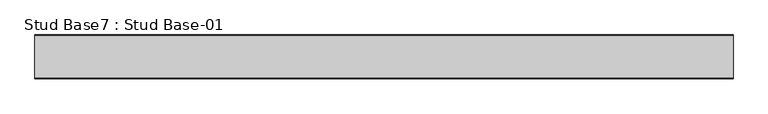
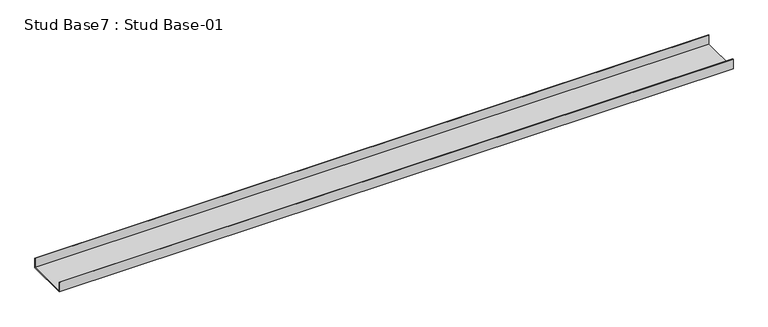
"""IFC4 building model written with IfcOpenShell, lengths in millimetres: proxy geometry, Stud Base7 : Stud Base-01."""

from ifc_helpers import new_model, si_unit, frame, origin, place, context, project, spatial, polyline, outline, extrude, source, transform, mapped, element, save


def stud_base7_stud_base_01_49a44542(model_context):
    return source(origin(), model_context, "Body", "SweptSolid", [
        extrude(outline(polyline([(-487.1, 5712.0), (-641.1109375, 5712.0), (-641.1109375, 5749.0), (-639.6109375, 5749.0), (-639.6109375, 5714.0), (-488.6, 5714.0), (-488.6, 5749.0), (-487.1, 5749.0), (-487.1, 5712.0)])), frame((-8912.8938314, 0.0, 0.0), z_axis=(1.0, 0.0, 0.0), x_axis=(0.0, 1.0, 0.0)), (0.0, 0.0, 1.0), 2458.718842),
    ])


if __name__ == "__main__":
    model = new_model("IFC4")
    model_context = context("Model", 3, world=origin())
    ifc_project = project(units=[si_unit("LENGTHUNIT", "METRE", prefix="MILLI")], contexts=[model_context])
    site = spatial("IfcSite", under=ifc_project)
    building = spatial("IfcBuilding", under=site)
    placement = place(None, origin())
    stud_base7_stud_base_01_shape = stud_base7_stud_base_01_49a44542(model_context)
    element("IfcBuildingElementProxy", 1, Name="Stud Base7 : Stud Base-01", ObjectType="Stud Base7 : Stud Base-01", at=placement, inside=building, context=model_context, shape_type="MappedRepresentation", body=[
        mapped(stud_base7_stud_base_01_shape, transform((0.0, 0.0, 0.0), x_axis=(1.0, 0.0, 0.0), y_axis=(0.0, 1.0, 0.0), z_axis=(0.0, 0.0, 1.0))),
    ])
    save(model, "model.ifc")
